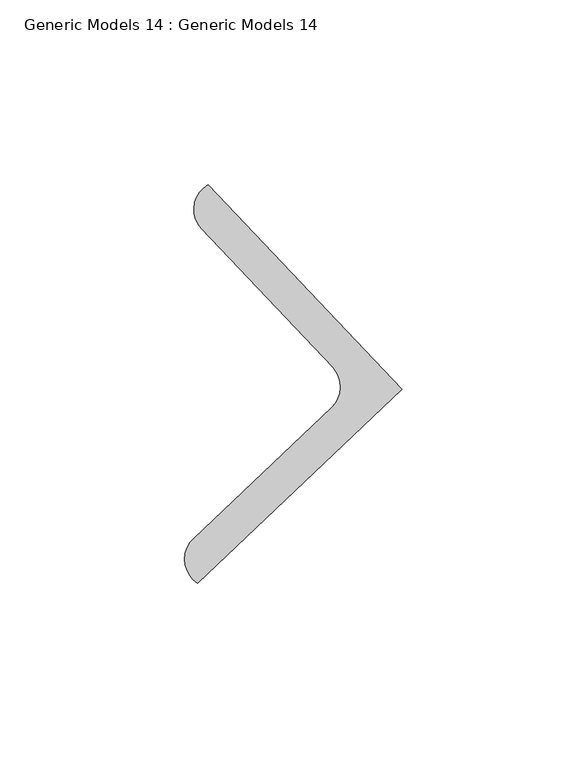
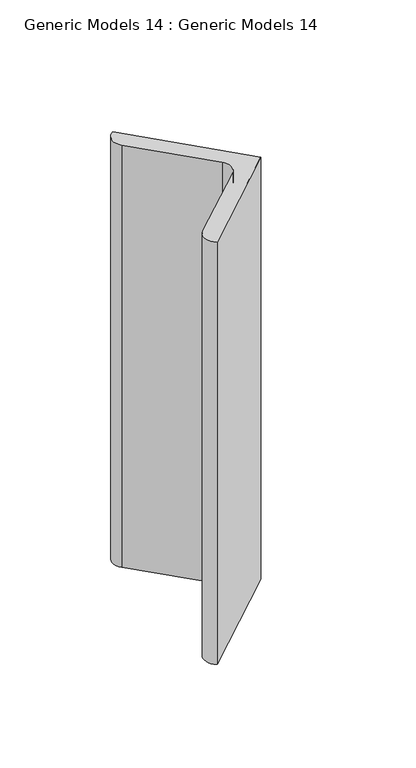
"""IFC4 building model written with IfcOpenShell, lengths in millimetres: proxy geometry, Generic Models 14 : Generic Models 14."""

from ifc_helpers import new_model, si_unit, point, frame, frame_2d, origin, place, context, project, spatial, polyline, circle_curve, trimmed, segment, composite_curve, outline, extrude, source, transform, mapped, element, save


def generic_models_14_generic_models_14_7dad7db8(model_context):
    return source(origin(), model_context, "Body", "SweptSolid", [
        extrude(outline(composite_curve([segment(polyline([(111323.3741923, 55949.5850583), (111268.0950304, 55897.1270924)]), True, "CONTINUOUS"), segment(trimmed(circle_curve(frame_2d((111272.1749434, 55903.5915515)), 7.6442738), [point((111268.0950304, 55897.1270924))], [point((111266.9129725, 55909.1365118))], False, "CARTESIAN"), True, "CONTINUOUS"), segment(polyline([(111266.9129725, 55909.1365118), (111304.3634638, 55944.675701)]), True, "CONTINUOUS"), segment(trimmed(circle_curve(frame_2d((111299.101493, 55950.2206613)), 7.6442738), [point((111304.3634638, 55944.675701))], [point((111304.6464532, 55955.4826321))], True, "CARTESIAN"), True, "CONTINUOUS"), segment(polyline([(111304.6464532, 55955.4826321), (111269.107264, 55992.9331233)]), True, "CONTINUOUS"), segment(trimmed(circle_curve(frame_2d((111274.6522243, 55998.1950941)), 7.6442738), [point((111269.107264, 55992.9331233))], [point((111270.9162264, 56004.8642201))], False, "CARTESIAN"), True, "CONTINUOUS"), segment(polyline([(111270.9162264, 56004.8642201), (111323.3741923, 55949.5850583)]), True, "CONTINUOUS")], self_intersect=False)), frame((0.0, 0.0, 17163.6803773), z_axis=(0.0, 0.0, 1.0), x_axis=(1.0, 0.0, 0.0)), (0.0, 0.0, 1.0), 254.0),
    ])


if __name__ == "__main__":
    model = new_model("IFC4")
    model_context = context("Model", 3, world=origin())
    ifc_project = project(units=[si_unit("LENGTHUNIT", "METRE", prefix="MILLI")], contexts=[model_context])
    site = spatial("IfcSite", under=ifc_project)
    building = spatial("IfcBuilding", under=site)
    placement = place(None, origin())
    generic_models_14_generic_models_14_shape = generic_models_14_generic_models_14_7dad7db8(model_context)
    element("IfcBuildingElementProxy", 1, Name="Generic Models 14 : Generic Models 14", ObjectType="Generic Models 14 : Generic Models 14", at=placement, inside=building, context=model_context, shape_type="MappedRepresentation", body=[
        mapped(generic_models_14_generic_models_14_shape, transform((0.0, 0.0, 0.0), x_axis=(1.0, 0.0, 0.0), y_axis=(0.0, 1.0, 0.0), z_axis=(0.0, 0.0, 1.0))),
    ])
    save(model, "model.ifc")
